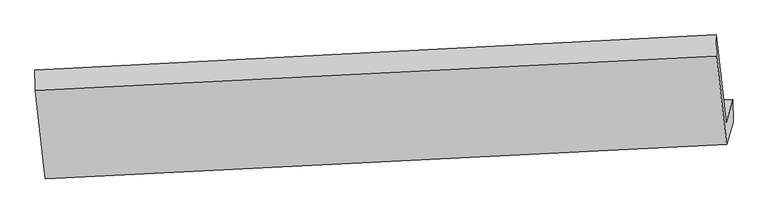
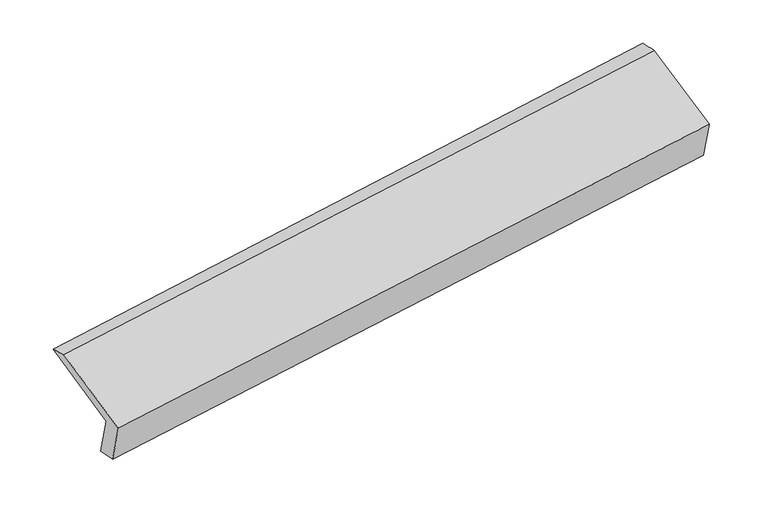
"""IFC4 building model written with IfcOpenShell, lengths in millimetres: proxy geometry."""

from ifc_helpers import new_model, si_unit, frame, origin, place, context, project, spatial, source, transform, mapped, element, save
from ifc_brep_helpers import plane_surface, spline_surface, advanced_brep


def generic_models_3a1cd51b(model_context):
    return source(origin(), model_context, "Body", "AdvancedBrep", [
        advanced_brep(
        [(-5212.4660809, -1651.3207788, 1230.248206), (-5256.8021161, -1806.6491812, 1590.4780088), (-452.8410492, -1567.1711343, 2306.9154084), (-406.2589498, -1403.9737931, 1928.4363591), (-5208.1697196, -1805.8822645, 1255.4292629), (-403.0856207, -1562.4697482, 1962.7420392), (-5253.8113893, -1965.7848719, 1626.2673317), (-448.7272904, -1722.3723556, 2333.580108), (-5323.7578578, -1341.810643, 1886.7115544), (-518.6737588, -1098.3981267, 2594.0243307), (-5325.284701, -1195.733876, 1845.4714916), (-522.3526286, -947.076437, 2565.7403309)],
        [
            (0, 1),
            (1, 2),
            (2, 3),
            (3, 0),
            (4, 0),
            (3, 5),
            (5, 4),
            (6, 4),
            (5, 7),
            (7, 6),
            (8, 6),
            (7, 9),
            (9, 8),
            (10, 8),
            (9, 11),
            (11, 10),
            (1, 10),
            (11, 2),
        ],
        [
            plane_surface(frame((-5234.6340985, -1728.98498, 1410.3631074), z_axis=(-0.10289945201674475, 0.9179392131500634, 0.3831439725952847), x_axis=(-0.11230320590091616, -0.3934469437298551, 0.9124623238326132))),
            spline_surface(1, 1, [[(-5208.1697196, -1805.8822645, 1255.4292629), (-403.0856207, -1562.4697482, 1962.7420392)], [(-5212.4660809, -1651.3207788, 1230.248206), (-406.2589498, -1403.9737931, 1928.4363591)]], [2, 2], [2, 2], [0.0, 1.0], [0.0, 1.0]),
            plane_surface(frame((-5230.9905545, -1885.8335682, 1440.8482973), z_axis=(0.10289945201674475, -0.9179392131500635, -0.3831439725952846), x_axis=(0.11230320590091625, 0.393446943729855, -0.9124623238326133))),
            plane_surface(frame((-5288.7846236, -1653.7977575, 1756.4894431), z_axis=(-0.1143353353541326, -0.39355070573467615, 0.9121651567041994), x_axis=(0.10289945201675375, -0.917939213150062, -0.38314397259528565))),
            spline_surface(1, 1, [[(-5325.284701, -1195.733876, 1845.4714916), (-522.3526286, -947.076437, 2565.7403309)], [(-5323.7578578, -1341.810643, 1886.7115544), (-518.6737588, -1098.3981267, 2594.0243307)]], [2, 2], [2, 2], [0.0, 1.0], [0.0, 1.0]),
            plane_surface(frame((-5291.0434085, -1501.1915286, 1717.9747502), z_axis=(0.11636696414616342, 0.39365280270474134, -0.9118641349335478), x_axis=(-0.1028994520167484, 0.9179392131500582, 0.38314397259529603))),
            plane_surface(frame((-458.6565496, -1383.5769325, 2281.9064294), z_axis=(0.9883317725941165, 0.05086357666424624, 0.14357299136638507), x_axis=(0.10289945201675375, -0.917939213150062, -0.38314397259528565))),
            plane_surface(frame((-5263.3819774, -1627.8636026, 1572.4343092), z_axis=(-0.9883317725941161, -0.050863576664250676, -0.1435729913663857), x_axis=(0.11230320590091512, 0.3934469437298549, -0.9124623238326135))),
        ],
        [
            (0, [[1, 2, 3, 4]]),
            (1, [[5, -4, 6, 7]]),
            (2, [[8, -7, 9, 10]]),
            (3, [[11, -10, 12, 13]]),
            (4, [[14, -13, 15, 16]]),
            (5, [[17, -16, 18, -2]]),
            (6, [[-12, -9, -6, -3, -18, -15]]),
            (7, [[-1, -5, -8, -11, -14, -17]]),
        ],
    ),
    ])


if __name__ == "__main__":
    model = new_model("IFC4")
    model_context = context("Model", 3, world=origin())
    ifc_project = project(units=[si_unit("LENGTHUNIT", "METRE", prefix="MILLI")], contexts=[model_context])
    site = spatial("IfcSite", under=ifc_project)
    building = spatial("IfcBuilding", under=site)
    placement = place(None, origin())
    generic_models_shape = generic_models_3a1cd51b(model_context)
    element("IfcBuildingElementProxy", 1, Name="Generic Models", at=placement, inside=building, context=model_context, shape_type="MappedRepresentation", body=[
        mapped(generic_models_shape, transform((0.0, 0.0, 0.0), x_axis=(1.0, 0.0, 0.0), y_axis=(0.0, 1.0, 0.0), z_axis=(0.0, 0.0, 1.0))),
    ])
    save(model, "model.ifc")
